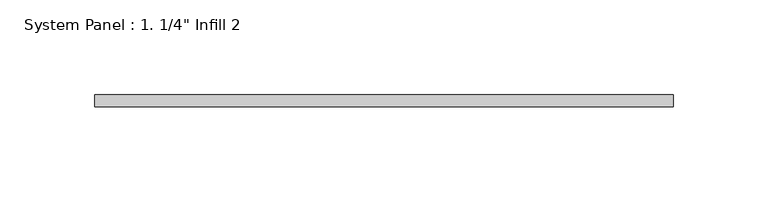
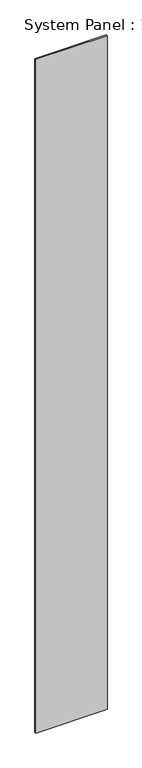
"""IFC4 building model written with IfcOpenShell, lengths in millimetres: plate geometry."""

from ifc_helpers import new_model, si_unit, origin, origin_with_axes, place, context, project, spatial, polyline, outline, extrude, source, transform, mapped, element, save


def plate_8809c539(model_context):
    return source(origin(), model_context, "Body", "SweptSolid", [
        extrude(outline(polyline([(152.4354358, -6.35), (-152.4354358, -6.35), (-152.4354358, 0.0), (152.4354358, 0.0), (152.4354358, -6.35)])), origin_with_axes(), (0.0, 0.0, 1.0), 3048.0),
    ])


if __name__ == "__main__":
    model = new_model("IFC4")
    model_context = context("Model", 3, world=origin())
    ifc_project = project(units=[si_unit("LENGTHUNIT", "METRE", prefix="MILLI")], contexts=[model_context])
    site = spatial("IfcSite", under=ifc_project)
    building = spatial("IfcBuilding", under=site)
    placement = place(None, origin())
    plate_shape = plate_8809c539(model_context)
    element("IfcPlate", 1, ObjectType="System Panel : 1. 1/4\" Infill 2", at=placement, inside=building, context=model_context, shape_type="MappedRepresentation", body=[
        mapped(plate_shape, transform((0.0, 0.0, 0.0), x_axis=(1.0, 0.0, 0.0), y_axis=(0.0, 1.0, 0.0), z_axis=(0.0, 0.0, 1.0))),
    ])
    save(model, "model.ifc")
